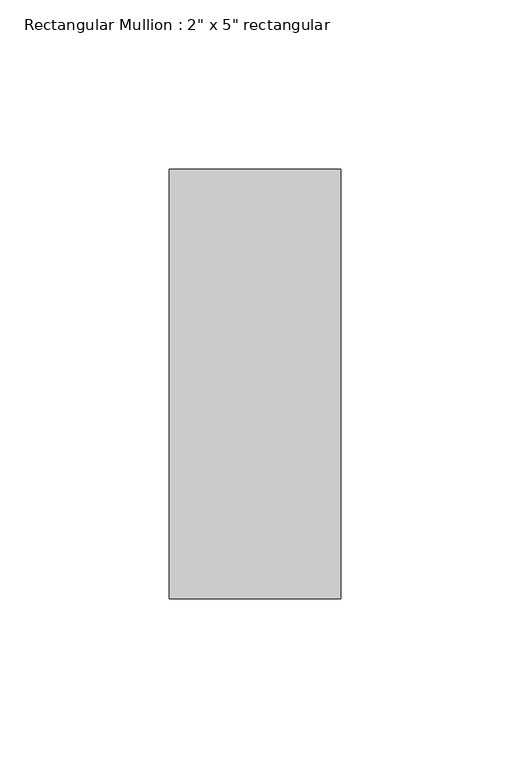
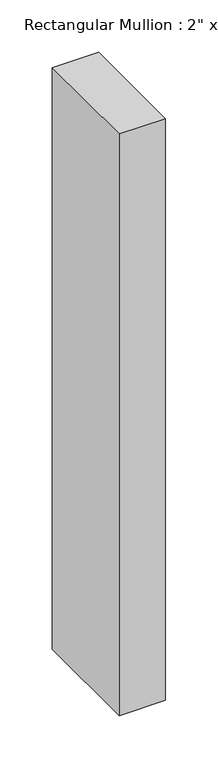
"""IFC4 building model written with IfcOpenShell, lengths in millimetres: member geometry."""

import ifcopenshell
import ifcopenshell.guid

model = None  # the IFC model being written
_history = None  # IfcOwnerHistory: only IFC2X3 demands one
_inside = {}  # id of a spatial element -> (the spatial element, [elements in it])
_under = {}  # id of a project, library or spatial element -> (it, [spatial elements below it])
_declared = {}  # id of a project -> (the project, [libraries it declares])
_typed = {}  # id of a type object -> (the type object, [elements of that type])
_made_of = {}  # id of a material, layer set ... -> (it, [elements and type objects made of it])


def new_model(schema):
    """Start an empty IFC model of exactly this schema.

    Asked for "IFC4X3", IfcOpenShell would pick the latest addendum, in which some entities
    have other attributes; the version numbers below select the first issue.
    IFC2X3 requires an IfcOwnerHistory on every rooted entity: one is made here for all.
    """
    global model, _history
    if schema == "IFC4X3":
        model = ifcopenshell.file(schema_version=(4, 3, 0, 0))
    else:
        model = ifcopenshell.file(schema=schema)
    _inside.clear()
    _under.clear()
    _declared.clear()
    _typed.clear()
    _made_of.clear()
    _history = None
    if model.schema == "IFC2X3":
        org = make("IfcOrganization", Name="unknown")
        user = make(
            "IfcPersonAndOrganization",
            ThePerson=make("IfcPerson", FamilyName="unknown"),
            TheOrganization=org,
        )
        app = make(
            "IfcApplication",
            ApplicationDeveloper=org,
            Version="unknown",
            ApplicationFullName="unknown",
            ApplicationIdentifier="unknown",
        )
        _history = make(
            "IfcOwnerHistory",
            OwningUser=user,
            OwningApplication=app,
            ChangeAction="ADDED",
            CreationDate=0,
        )
    return model


def make(cls, **values):
    """One entity of the class cls with the attributes given. An attribute that is None is left unset."""
    return model.create_entity(
        cls, **{name: value for name, value in values.items() if value is not None}
    )


def rooted(cls, **values):
    """An entity with a GlobalId (a new one), such as an element, a storey or a relation."""
    return make(cls, GlobalId=ifcopenshell.guid.new(), OwnerHistory=_history, **values)


def si_unit(unit_type, name, prefix=None):
    """IfcSIUnit, for example si_unit("LENGTHUNIT", "METRE", prefix="MILLI")."""
    return make("IfcSIUnit", UnitType=unit_type, Prefix=prefix, Name=name)


def assignment(units):
    """IfcUnitAssignment: the units of a project."""
    return None if units is None else make("IfcUnitAssignment", Units=units)


def point(xyz):
    """IfcCartesianPoint."""
    return None if xyz is None else make("IfcCartesianPoint", Coordinates=xyz)


def direction(xyz):
    """IfcDirection."""
    return None if xyz is None else make("IfcDirection", DirectionRatios=xyz)


def frame(location, z_axis=None, x_axis=None):
    """IfcAxis2Placement3D, a coordinate frame: its origin and axes. An axis left out is left unset."""
    return make(
        "IfcAxis2Placement3D",
        Location=point(location),
        Axis=direction(z_axis),
        RefDirection=direction(x_axis),
    )


def origin():
    """The frame at (0, 0, 0) with its axes left unset."""
    return frame((0.0, 0.0, 0.0))


def place(relative_to, where):
    """IfcLocalPlacement: puts the frame where relative to a parent placement (None: the world)."""
    return make(
        "IfcLocalPlacement", PlacementRelTo=relative_to, RelativePlacement=where
    )


def context(
    kind, dimensions, precision=None, world=None, true_north=None, identifier=None
):
    """IfcGeometricRepresentationContext, for example the 3D "Model" context."""
    return make(
        "IfcGeometricRepresentationContext",
        ContextIdentifier=identifier,
        ContextType=kind,
        CoordinateSpaceDimension=dimensions,
        Precision=precision,
        WorldCoordinateSystem=world,
        TrueNorth=true_north,
    )


def project(units=None, contexts=None):
    """IfcProject with its units and contexts."""
    return rooted(
        "IfcProject",
        Name="project",
        RepresentationContexts=contexts,
        UnitsInContext=assignment(units),
    )


def spatial(cls, under=None, at=None, **own):
    """A site, building, storey or space (cls), placed at a placement, below another one or the project."""
    s = rooted(cls, ObjectPlacement=at, **own)
    if under is not None:
        _under.setdefault(under.id(), (under, []))[1].append(s)
    return s


def polyline(points):
    """IfcPolyline through the points."""
    return make("IfcPolyline", Points=[point(p) for p in points])


def outline(outer, holes=None, kind="AREA"):
    """IfcArbitraryClosedProfileDef: a profile drawn as a closed curve; with holes, ...WithVoids."""
    if holes is None:
        return make("IfcArbitraryClosedProfileDef", ProfileType=kind, OuterCurve=outer)
    return make(
        "IfcArbitraryProfileDefWithVoids",
        ProfileType=kind,
        OuterCurve=outer,
        InnerCurves=holes,
    )


def extrude(swept, where, along, depth):
    """IfcExtrudedAreaSolid: the profile swept, set in the frame where, extruded along a direction by depth."""
    return make(
        "IfcExtrudedAreaSolid",
        SweptArea=swept,
        Position=where,
        ExtrudedDirection=direction(along),
        Depth=depth,
    )


def shape(context_of_items, identifier, shape_type, items):
    """IfcShapeRepresentation: the items that make up one representation, for example the "Body"."""
    return make(
        "IfcShapeRepresentation",
        ContextOfItems=context_of_items,
        RepresentationIdentifier=identifier,
        RepresentationType=shape_type,
        Items=items,
    )


def source(mapping_origin, context_of_items, identifier, shape_type, items):
    """IfcRepresentationMap: a shape defined once, which mapped items show again and again."""
    return make(
        "IfcRepresentationMap",
        MappingOrigin=mapping_origin,
        MappedRepresentation=shape(context_of_items, identifier, shape_type, items),
    )


def transform(
    local_origin,
    x_axis=None,
    y_axis=None,
    z_axis=None,
    scale=None,
    scale2=None,
    scale3=None,
    uniform=True,
):
    """IfcCartesianTransformationOperator3D, or its non-uniform kind. x_axis, y_axis, z_axis: its Axis1, 2, 3."""
    if uniform:
        return make(
            "IfcCartesianTransformationOperator3D",
            Axis1=direction(x_axis),
            Axis2=direction(y_axis),
            LocalOrigin=point(local_origin),
            Scale=scale,
            Axis3=direction(z_axis),
        )
    return make(
        "IfcCartesianTransformationOperator3DnonUniform",
        Axis1=direction(x_axis),
        Axis2=direction(y_axis),
        LocalOrigin=point(local_origin),
        Scale=scale,
        Axis3=direction(z_axis),
        Scale2=scale2,
        Scale3=scale3,
    )


def mapped(mapping_source, mapping_target):
    """IfcMappedItem: shows the shape of a source again, moved by a transform."""
    return make(
        "IfcMappedItem", MappingSource=mapping_source, MappingTarget=mapping_target
    )


def made_of(thing, what):
    """Note that an element or type object is made of a material, layer set ...; save() writes the relation."""
    if what is not None:
        _made_of.setdefault(what.id(), (what, []))[1].append(thing)
    return thing


def element(
    cls,
    number,
    at=None,
    inside=None,
    cuts=None,
    type_object=None,
    material=None,
    context=None,
    identifier="Body",
    shape_type=None,
    held_by="IfcProductDefinitionShape",
    body=None,
    shapes=None,
    **own,
):
    """One element of the class cls, such as IfcWall. Its Tag is "e" and its number.

    at: its placement. inside: the storey or other place that contains it. cuts: it is an
    opening in that element (IfcRelVoidsElement). A single representation is given by context,
    identifier, shape_type and body (its items); several are given by shapes. held_by: the class
    of the entity that holds the representations. save() writes the other relations.
    """
    e = rooted(cls, Tag="e%d" % number, ObjectPlacement=at, **own)
    if body is not None:
        shapes = [shape(context, identifier, shape_type, body)]
    if shapes is not None:
        e.Representation = make(held_by, Representations=shapes)
    if inside is not None:
        _inside.setdefault(inside.id(), (inside, []))[1].append(e)
    if cuts is not None:
        rooted(
            "IfcRelVoidsElement", RelatingBuildingElement=cuts, RelatedOpeningElement=e
        )
    if type_object is not None:
        _typed.setdefault(type_object.id(), (type_object, []))[1].append(e)
    return made_of(e, material)


def aggregate(whole, parts):
    """IfcRelAggregates: a whole, such as a stair, and the parts it consists of."""
    return rooted("IfcRelAggregates", RelatingObject=whole, RelatedObjects=parts)


def save(model, path):
    """Write the relations noted so far, then the file.

    IfcRelAggregates (storeys below a building ...), IfcRelContainedInSpatialStructure (elements
    in a storey), IfcRelDefinesByType, IfcRelAssociatesMaterial and IfcRelDeclares: one each for
    every whole, place, type object, material and project.
    """
    for whole, parts in _under.values():
        aggregate(whole, parts)
    for where, things in _inside.values():
        rooted(
            "IfcRelContainedInSpatialStructure",
            RelatedElements=things,
            RelatingStructure=where,
        )
    for kind, things in _typed.values():
        rooted("IfcRelDefinesByType", RelatedObjects=things, RelatingType=kind)
    for what, things in _made_of.values():
        rooted("IfcRelAssociatesMaterial", RelatedObjects=things, RelatingMaterial=what)
    for by, libraries in _declared.values():
        rooted("IfcRelDeclares", RelatingContext=by, RelatedDefinitions=libraries)
    model.write(path)


def member_1a672fb8(model_context):
    return source(origin(), model_context, "Body", "SweptSolid", [
        extrude(outline(polyline([(0.0, 63.5), (0.0, -63.5), (-50.8, -63.5), (-50.8, 63.5), (0.0, 63.5)])), frame((0.0, 0.0, -677.3333333), z_axis=(0.0, 0.0, 1.0), x_axis=(1.0, 0.0, 0.0)), (0.0, 0.0, 1.0), 677.3333333),
    ])


if __name__ == "__main__":
    model = new_model("IFC4")
    model_context = context("Model", 3, world=origin())
    ifc_project = project(units=[si_unit("LENGTHUNIT", "METRE", prefix="MILLI")], contexts=[model_context])
    site = spatial("IfcSite", under=ifc_project)
    building = spatial("IfcBuilding", under=site)
    placement = place(None, origin())
    member_shape = member_1a672fb8(model_context)
    element("IfcMember", 1, ObjectType="Rectangular Mullion : 2\" x 5\" rectangular", at=placement, inside=building, context=model_context, shape_type="MappedRepresentation", body=[
        mapped(member_shape, transform((0.0, 0.0, 0.0), x_axis=(1.0, 0.0, 0.0), y_axis=(0.0, 1.0, 0.0), z_axis=(0.0, 0.0, 1.0))),
    ])
    save(model, "model.ifc")
